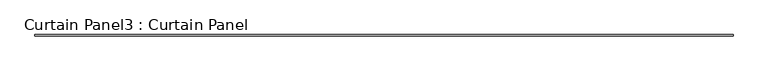
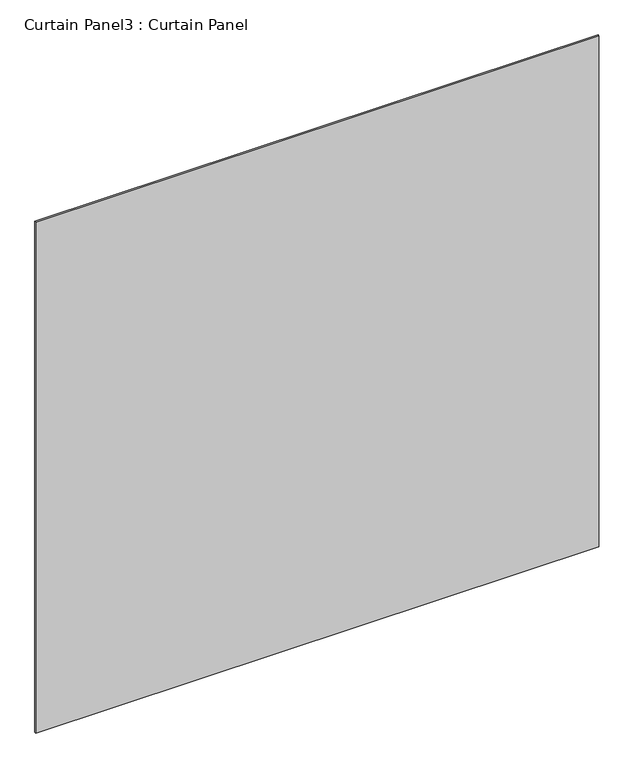
"""IFC4 building model written with IfcOpenShell, lengths in millimetres: plate geometry, Curtain Panel3 : Curtain Panel."""

from ifc_helpers import new_model, si_unit, origin, origin_with_axes, place, context, project, spatial, polyline, outline, extrude, source, transform, mapped, element, save


def curtain_panel3_curtain_panel_6e3b1f79(model_context):
    return source(origin(), model_context, "Body", "SweptSolid", [
        extrude(outline(polyline([(-154042.3980921, -8938.0927648), (-150864.1771181, -8938.0927648), (-150864.1771181, -8944.4427648), (-154042.3980921, -8944.4427648), (-154042.3980921, -8938.0927648)])), origin_with_axes(), (0.0, 0.0, 1.0), 3048.0),
    ])


if __name__ == "__main__":
    model = new_model("IFC4")
    model_context = context("Model", 3, world=origin())
    ifc_project = project(units=[si_unit("LENGTHUNIT", "METRE", prefix="MILLI")], contexts=[model_context])
    site = spatial("IfcSite", under=ifc_project)
    building = spatial("IfcBuilding", under=site)
    placement = place(None, origin())
    curtain_panel3_curtain_panel_shape = curtain_panel3_curtain_panel_6e3b1f79(model_context)
    element("IfcPlate", 1, ObjectType="Curtain Panel3 : Curtain Panel", at=placement, inside=building, context=model_context, shape_type="MappedRepresentation", body=[
        mapped(curtain_panel3_curtain_panel_shape, transform((0.0, 0.0, 0.0), x_axis=(1.0, 0.0, 0.0), y_axis=(0.0, 1.0, 0.0), z_axis=(0.0, 0.0, 1.0))),
    ])
    save(model, "model.ifc")
